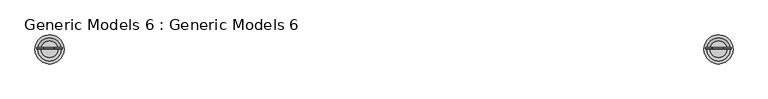
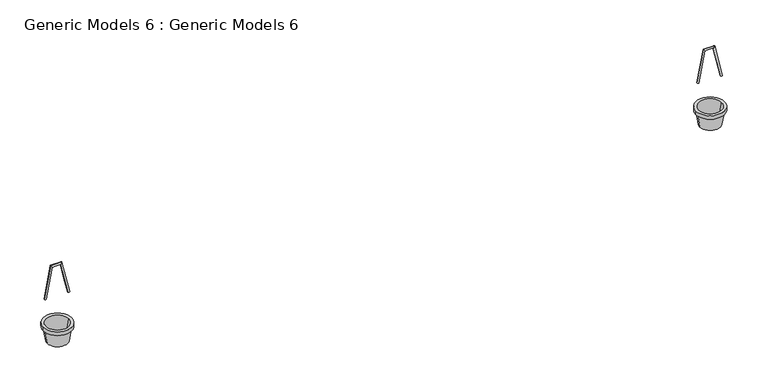
"""IFC4 building model written with IfcOpenShell, lengths in millimetres: proxy geometry, Generic Models 6 : Generic Models 6."""

import ifcopenshell
import ifcopenshell.guid

model = None  # the IFC model being written
_history = None  # IfcOwnerHistory: only IFC2X3 demands one
_inside = {}  # id of a spatial element -> (the spatial element, [elements in it])
_under = {}  # id of a project, library or spatial element -> (it, [spatial elements below it])
_declared = {}  # id of a project -> (the project, [libraries it declares])
_typed = {}  # id of a type object -> (the type object, [elements of that type])
_made_of = {}  # id of a material, layer set ... -> (it, [elements and type objects made of it])


def new_model(schema):
    """Start an empty IFC model of exactly this schema.

    Asked for "IFC4X3", IfcOpenShell would pick the latest addendum, in which some entities
    have other attributes; the version numbers below select the first issue.
    IFC2X3 requires an IfcOwnerHistory on every rooted entity: one is made here for all.
    """
    global model, _history
    if schema == "IFC4X3":
        model = ifcopenshell.file(schema_version=(4, 3, 0, 0))
    else:
        model = ifcopenshell.file(schema=schema)
    _inside.clear()
    _under.clear()
    _declared.clear()
    _typed.clear()
    _made_of.clear()
    _history = None
    if model.schema == "IFC2X3":
        org = make("IfcOrganization", Name="unknown")
        user = make(
            "IfcPersonAndOrganization",
            ThePerson=make("IfcPerson", FamilyName="unknown"),
            TheOrganization=org,
        )
        app = make(
            "IfcApplication",
            ApplicationDeveloper=org,
            Version="unknown",
            ApplicationFullName="unknown",
            ApplicationIdentifier="unknown",
        )
        _history = make(
            "IfcOwnerHistory",
            OwningUser=user,
            OwningApplication=app,
            ChangeAction="ADDED",
            CreationDate=0,
        )
    return model


def make(cls, **values):
    """One entity of the class cls with the attributes given. An attribute that is None is left unset."""
    return model.create_entity(
        cls, **{name: value for name, value in values.items() if value is not None}
    )


def rooted(cls, **values):
    """An entity with a GlobalId (a new one), such as an element, a storey or a relation."""
    return make(cls, GlobalId=ifcopenshell.guid.new(), OwnerHistory=_history, **values)


def si_unit(unit_type, name, prefix=None):
    """IfcSIUnit, for example si_unit("LENGTHUNIT", "METRE", prefix="MILLI")."""
    return make("IfcSIUnit", UnitType=unit_type, Prefix=prefix, Name=name)


def assignment(units):
    """IfcUnitAssignment: the units of a project."""
    return None if units is None else make("IfcUnitAssignment", Units=units)


def point(xyz):
    """IfcCartesianPoint."""
    return None if xyz is None else make("IfcCartesianPoint", Coordinates=xyz)


def direction(xyz):
    """IfcDirection."""
    return None if xyz is None else make("IfcDirection", DirectionRatios=xyz)


def frame(location, z_axis=None, x_axis=None):
    """IfcAxis2Placement3D, a coordinate frame: its origin and axes. An axis left out is left unset."""
    return make(
        "IfcAxis2Placement3D",
        Location=point(location),
        Axis=direction(z_axis),
        RefDirection=direction(x_axis),
    )


def frame_2d(location, x_axis=None):
    """IfcAxis2Placement2D, a coordinate frame in the plane: its origin and x axis."""
    return make(
        "IfcAxis2Placement2D", Location=point(location), RefDirection=direction(x_axis)
    )


def origin():
    """The frame at (0, 0, 0) with its axes left unset."""
    return frame((0.0, 0.0, 0.0))


def place(relative_to, where):
    """IfcLocalPlacement: puts the frame where relative to a parent placement (None: the world)."""
    return make(
        "IfcLocalPlacement", PlacementRelTo=relative_to, RelativePlacement=where
    )


def context(
    kind, dimensions, precision=None, world=None, true_north=None, identifier=None
):
    """IfcGeometricRepresentationContext, for example the 3D "Model" context."""
    return make(
        "IfcGeometricRepresentationContext",
        ContextIdentifier=identifier,
        ContextType=kind,
        CoordinateSpaceDimension=dimensions,
        Precision=precision,
        WorldCoordinateSystem=world,
        TrueNorth=true_north,
    )


def project(units=None, contexts=None):
    """IfcProject with its units and contexts."""
    return rooted(
        "IfcProject",
        Name="project",
        RepresentationContexts=contexts,
        UnitsInContext=assignment(units),
    )


def spatial(cls, under=None, at=None, **own):
    """A site, building, storey or space (cls), placed at a placement, below another one or the project."""
    s = rooted(cls, ObjectPlacement=at, **own)
    if under is not None:
        _under.setdefault(under.id(), (under, []))[1].append(s)
    return s


def polyline(points):
    """IfcPolyline through the points."""
    return make("IfcPolyline", Points=[point(p) for p in points])


def circle_curve(where, radius):
    """IfcCircle in the frame where."""
    return make("IfcCircle", Position=where, Radius=radius)


def ellipse_curve(where, semi_axis1, semi_axis2):
    """IfcEllipse in the frame where."""
    return make(
        "IfcEllipse", Position=where, SemiAxis1=semi_axis1, SemiAxis2=semi_axis2
    )


def trimmed(basis, trim1, trim2, sense, master):
    """IfcTrimmedCurve: the piece of a basis curve between two trims."""
    return make(
        "IfcTrimmedCurve",
        BasisCurve=basis,
        Trim1=trim1,
        Trim2=trim2,
        SenseAgreement=sense,
        MasterRepresentation=master,
    )


def segment(curve, same_sense, transition):
    """IfcCompositeCurveSegment."""
    return make(
        "IfcCompositeCurveSegment",
        Transition=transition,
        SameSense=same_sense,
        ParentCurve=curve,
    )


def composite_curve(segments, self_intersect=None):
    """IfcCompositeCurve: segments joined end to end."""
    return make("IfcCompositeCurve", Segments=segments, SelfIntersect=self_intersect)


def outline(outer, holes=None, kind="AREA"):
    """IfcArbitraryClosedProfileDef: a profile drawn as a closed curve; with holes, ...WithVoids."""
    if holes is None:
        return make("IfcArbitraryClosedProfileDef", ProfileType=kind, OuterCurve=outer)
    return make(
        "IfcArbitraryProfileDefWithVoids",
        ProfileType=kind,
        OuterCurve=outer,
        InnerCurves=holes,
    )


def extrude(swept, where, along, depth):
    """IfcExtrudedAreaSolid: the profile swept, set in the frame where, extruded along a direction by depth."""
    return make(
        "IfcExtrudedAreaSolid",
        SweptArea=swept,
        Position=where,
        ExtrudedDirection=direction(along),
        Depth=depth,
    )


def shape(context_of_items, identifier, shape_type, items):
    """IfcShapeRepresentation: the items that make up one representation, for example the "Body"."""
    return make(
        "IfcShapeRepresentation",
        ContextOfItems=context_of_items,
        RepresentationIdentifier=identifier,
        RepresentationType=shape_type,
        Items=items,
    )


def source(mapping_origin, context_of_items, identifier, shape_type, items):
    """IfcRepresentationMap: a shape defined once, which mapped items show again and again."""
    return make(
        "IfcRepresentationMap",
        MappingOrigin=mapping_origin,
        MappedRepresentation=shape(context_of_items, identifier, shape_type, items),
    )


def transform(
    local_origin,
    x_axis=None,
    y_axis=None,
    z_axis=None,
    scale=None,
    scale2=None,
    scale3=None,
    uniform=True,
):
    """IfcCartesianTransformationOperator3D, or its non-uniform kind. x_axis, y_axis, z_axis: its Axis1, 2, 3."""
    if uniform:
        return make(
            "IfcCartesianTransformationOperator3D",
            Axis1=direction(x_axis),
            Axis2=direction(y_axis),
            LocalOrigin=point(local_origin),
            Scale=scale,
            Axis3=direction(z_axis),
        )
    return make(
        "IfcCartesianTransformationOperator3DnonUniform",
        Axis1=direction(x_axis),
        Axis2=direction(y_axis),
        LocalOrigin=point(local_origin),
        Scale=scale,
        Axis3=direction(z_axis),
        Scale2=scale2,
        Scale3=scale3,
    )


def mapped(mapping_source, mapping_target):
    """IfcMappedItem: shows the shape of a source again, moved by a transform."""
    return make(
        "IfcMappedItem", MappingSource=mapping_source, MappingTarget=mapping_target
    )


def made_of(thing, what):
    """Note that an element or type object is made of a material, layer set ...; save() writes the relation."""
    if what is not None:
        _made_of.setdefault(what.id(), (what, []))[1].append(thing)
    return thing


def element(
    cls,
    number,
    at=None,
    inside=None,
    cuts=None,
    type_object=None,
    material=None,
    context=None,
    identifier="Body",
    shape_type=None,
    held_by="IfcProductDefinitionShape",
    body=None,
    shapes=None,
    **own,
):
    """One element of the class cls, such as IfcWall. Its Tag is "e" and its number.

    at: its placement. inside: the storey or other place that contains it. cuts: it is an
    opening in that element (IfcRelVoidsElement). A single representation is given by context,
    identifier, shape_type and body (its items); several are given by shapes. held_by: the class
    of the entity that holds the representations. save() writes the other relations.
    """
    e = rooted(cls, Tag="e%d" % number, ObjectPlacement=at, **own)
    if body is not None:
        shapes = [shape(context, identifier, shape_type, body)]
    if shapes is not None:
        e.Representation = make(held_by, Representations=shapes)
    if inside is not None:
        _inside.setdefault(inside.id(), (inside, []))[1].append(e)
    if cuts is not None:
        rooted(
            "IfcRelVoidsElement", RelatingBuildingElement=cuts, RelatedOpeningElement=e
        )
    if type_object is not None:
        _typed.setdefault(type_object.id(), (type_object, []))[1].append(e)
    return made_of(e, material)


def aggregate(whole, parts):
    """IfcRelAggregates: a whole, such as a stair, and the parts it consists of."""
    return rooted("IfcRelAggregates", RelatingObject=whole, RelatedObjects=parts)


def save(model, path):
    """Write the relations noted so far, then the file.

    IfcRelAggregates (storeys below a building ...), IfcRelContainedInSpatialStructure (elements
    in a storey), IfcRelDefinesByType, IfcRelAssociatesMaterial and IfcRelDeclares: one each for
    every whole, place, type object, material and project.
    """
    for whole, parts in _under.values():
        aggregate(whole, parts)
    for where, things in _inside.values():
        rooted(
            "IfcRelContainedInSpatialStructure",
            RelatedElements=things,
            RelatingStructure=where,
        )
    for kind, things in _typed.values():
        rooted("IfcRelDefinesByType", RelatedObjects=things, RelatingType=kind)
    for what, things in _made_of.values():
        rooted("IfcRelAssociatesMaterial", RelatedObjects=things, RelatingMaterial=what)
    for by, libraries in _declared.values():
        rooted("IfcRelDeclares", RelatingContext=by, RelatedDefinitions=libraries)
    model.write(path)


def plane_surface(at):
    """IfcPlane: the flat surface through the origin of the frame at, square to its z axis."""
    return make("IfcPlane", Position=at)


def cylinder_surface(at, radius):
    """IfcCylindricalSurface: all points at the distance radius from the z axis of the frame at."""
    return make("IfcCylindricalSurface", Position=at, Radius=radius)


def revolved_surface(curve, axis_point, axis_direction):
    """IfcSurfaceOfRevolution: the curve turned about the line through axis_point along axis_direction."""
    return make(
        "IfcSurfaceOfRevolution",
        SweptCurve=make("IfcArbitraryOpenProfileDef", ProfileType="CURVE", Curve=curve),
        AxisPosition=make("IfcAxis1Placement", Location=point(axis_point), Axis=direction(axis_direction)),
    )


def advanced_brep(points, edges, surfaces, faces):
    """IfcAdvancedBrep: a solid bounded by faces that lie on surfaces and meet in shared edges.

    An edge is (start, end): straight between two places in points (the first is 0);
    or (start, end, curve); or (start, end, curve, False) where it runs against its curve.
    A face is (place in surfaces, loops), or (place, loops, False) where it looks against
    its surface's normal. A loop lists edges by number (the first is 1), with a minus sign
    where the edge is run from its end to its start. The first loop is the outer one.
    """
    corners = [point(p) for p in points]
    vertices = [make("IfcVertexPoint", VertexGeometry=c) for c in corners]
    made = []
    for start, end, *more in edges:
        made.append(
            make(
                "IfcEdgeCurve",
                EdgeStart=vertices[start],
                EdgeEnd=vertices[end],
                EdgeGeometry=more[0] if more else make("IfcPolyline", Points=[corners[start], corners[end]]),
                SameSense=more[1] if len(more) > 1 else True,
            )
        )
    hull = []
    for where, loops, *sense in faces:
        bounds = []
        for j, loop in enumerate(loops):
            ring = [make("IfcOrientedEdge", EdgeElement=made[abs(k) - 1], Orientation=k > 0) for k in loop]
            bounds.append(
                make(
                    "IfcFaceOuterBound" if j == 0 else "IfcFaceBound",
                    Bound=make("IfcEdgeLoop", EdgeList=ring),
                    Orientation=True,
                )
            )
        hull.append(make("IfcAdvancedFace", Bounds=bounds, FaceSurface=surfaces[where], SameSense=sense[0] if sense else True))
    return make("IfcAdvancedBrep", Outer=make("IfcClosedShell", CfsFaces=hull))


def generic_models_6_generic_models_6_81c88e58(model_context):
    return source(origin(), model_context, "Body", "SolidModel", [
        advanced_brep(
        [(-34686.6689595, 52581.7621172, 110415.6736018), (-34678.8687852, 52581.7621172, 110417.4504755), (-34719.5802161, 52581.7621172, 110560.1484398), (-34713.1976651, 52581.7621172, 110568.1484398), (-34756.6813701, 52581.7621172, 110560.1484398), (-34763.2953473, 52581.7621172, 110568.1484398), (-34783.9381535, 52581.7621172, 110417.7456528), (-34791.7955156, 52581.7621172, 110419.2496011)],
        [
            (0, 1, circle_curve(frame((-34682.7688724, 52581.7621172, 110416.5620386), z_axis=(0.2221092116802275, 0.0, -0.9750217936470896), x_axis=(0.9750217936470896, 0.0, 0.2221092116802275)), 4.0)),
            (1, 0, circle_curve(frame((-34682.7688724, 52581.7621172, 110416.5620386), z_axis=(0.2221092116802275, 0.0, -0.9750217936470896), x_axis=(0.9750217936470896, 0.0, 0.2221092116802275)), 4.0)),
            (0, 2),
            (2, 3, ellipse_curve(frame((-34716.3889406, 52581.7621172, 110564.1484398), z_axis=(0.7816998182423441, 0.0, -0.6236548678234513), x_axis=(-0.6236548678234515, 0.0, -0.7816998182423436)), 5.1170538, 4.0)),
            (3, 1),
            (3, 2, ellipse_curve(frame((-34716.3889406, 52581.7621172, 110564.1484398), z_axis=(0.7816998182423441, 0.0, -0.6236548678234513), x_axis=(-0.6236548678234515, 0.0, -0.7816998182423436)), 5.1170538, 4.0)),
            (2, 4),
            (4, 5, ellipse_curve(frame((-34759.9883587, 52581.7621172, 110564.1484398), z_axis=(0.7707118552625644, 0.0, 0.6371838323103748), x_axis=(0.637183832310375, 0.0, -0.7707118552625641)), 5.1900071, 4.0)),
            (5, 3),
            (5, 4, ellipse_curve(frame((-34759.9883587, 52581.7621172, 110564.1484398), z_axis=(0.7707118552625644, 0.0, 0.6371838323103748), x_axis=(0.637183832310375, 0.0, -0.7707118552625641)), 5.1900071, 4.0)),
            (6, 7, circle_curve(frame((-34787.8668346, 52581.7621172, 110418.4976269), z_axis=(-0.18799352768452804, 0.0, -0.9821702670864796), x_axis=(-0.9821702670864796, 0.0, 0.18799352768452804)), 4.0)),
            (7, 6, circle_curve(frame((-34787.8668346, 52581.7621172, 110418.4976269), z_axis=(-0.18799352768452804, 0.0, -0.9821702670864796), x_axis=(-0.9821702670864796, 0.0, 0.18799352768452804)), 4.0)),
            (4, 6),
            (7, 5),
        ],
        [
            plane_surface(frame((-34677.6572022, 52140.6256988, 110417.7264732), z_axis=(0.2221092116802275, 0.0, -0.9750217936470896), x_axis=(0.0, 1.0, 0.0))),
            cylinder_surface(frame((-34682.7688724, 52581.7621172, 110416.5620386), z_axis=(0.2221092116802275, 0.0, -0.9750217936470896), x_axis=(0.9750217936470896, 0.0, 0.2221092116802275)), 4.0),
            cylinder_surface(frame((-34712.2062782, 52581.7621172, 110564.1484398), z_axis=(1.0, 0.0, 0.0), x_axis=(0.0, 0.0, 1.0)), 4.0),
            plane_surface(frame((-34793.0159815, 52140.6256988, 110419.4832059), z_axis=(-0.18799352768452796, 0.0, -0.9821702670864796), x_axis=(0.0, 1.0, 0.0))),
            cylinder_surface(frame((-34759.1735341, 52581.7621172, 110568.4054824), z_axis=(0.18799352768452804, 0.0, 0.9821702670864796), x_axis=(-0.9821702670864796, 0.0, 0.18799352768452804)), 4.0),
        ],
        [
            (0, [[1, 2]]),
            (1, [[-1, 3, 4, 5]]),
            (1, [[-2, -5, 6, -3]]),
            (2, [[-4, 7, 8, 9]]),
            (2, [[-6, -9, 10, -7]]),
            (3, [[11, 12]]),
            (4, [[-8, 13, -12, 14]]),
            (4, [[-10, -14, -11, -13]]),
        ],
    ),
        extrude(outline(composite_curve([segment(trimmed(circle_curve(frame_2d((-34734.9849133, 52577.544086)), 36.5259416), [point((-34698.4589717, 52577.544086))], [point((-34771.5108549, 52577.544086))], False, "CARTESIAN"), True, "CONTINUOUS"), segment(trimmed(circle_curve(frame_2d((-34734.9849133, 52577.544086)), 36.5259416), [point((-34771.5108549, 52577.544086))], [point((-34698.4589717, 52577.544086))], False, "CARTESIAN"), True, "CONTINUOUS")], self_intersect=False)), frame((0.0, 0.0, 110208.423046), z_axis=(0.0, 0.0, 1.0), x_axis=(1.0, 0.0, 0.0)), (0.0, 0.0, 1.0), 5.5063266),
        advanced_brep(
        [(-34698.4589717, 52577.544086, 110208.423046), (-34771.5108549, 52577.544086, 110208.423046), (-34785.6231676, 52577.544086, 110290.9257974), (-34684.3466589, 52577.544086, 110290.9257974), (-34678.5651461, 52577.544086, 110274.1859826), (-34791.4046805, 52577.544086, 110274.1859826), (-34780.8084399, 52577.544086, 110208.423046), (-34689.1613866, 52577.544086, 110208.423046), (-34670.9126593, 52577.544086, 110290.9257974), (-34799.0571672, 52577.544086, 110290.9257974), (-34799.0571672, 52577.544086, 110274.1859826), (-34670.9126593, 52577.544086, 110274.1859826)],
        [
            (0, 1, circle_curve(frame((-34734.9849133, 52577.544086, 110208.423046), z_axis=(0.0, 0.0, -1.0), x_axis=(-1.0, 0.0, 0.0)), 36.5259416)),
            (1, 2),
            (2, 3, circle_curve(frame((-34734.9849133, 52577.544086, 110290.9257974), z_axis=(0.0, 0.0, 1.0), x_axis=(-1.0, 0.0, 0.0)), 50.6382543)),
            (3, 0),
            (4, 5, circle_curve(frame((-34734.9849133, 52577.544086, 110274.1859826), z_axis=(0.0, 0.0, -1.0), x_axis=(-1.0, 0.0, 0.0)), 56.4197672)),
            (5, 6),
            (6, 7, circle_curve(frame((-34734.9849133, 52577.544086, 110208.423046), z_axis=(0.0, 0.0, 1.0), x_axis=(-1.0, 0.0, 0.0)), 45.8235266)),
            (7, 4),
            (8, 9, circle_curve(frame((-34734.9849133, 52577.544086, 110290.9257974), z_axis=(0.0, 0.0, -1.0), x_axis=(-1.0, 0.0, 0.0)), 64.0722539)),
            (9, 10),
            (10, 11, circle_curve(frame((-34734.9849133, 52577.544086, 110274.1859826), z_axis=(0.0, 0.0, 1.0), x_axis=(-1.0, 0.0, 0.0)), 64.0722539)),
            (11, 8),
            (1, 0, circle_curve(frame((-34734.9849133, 52577.544086, 110208.423046), z_axis=(0.0, 0.0, -1.0), x_axis=(1.0, 0.0, 0.0)), 36.5259416)),
            (3, 2, circle_curve(frame((-34734.9849133, 52577.544086, 110290.9257974), z_axis=(0.0, 0.0, 1.0), x_axis=(1.0, 0.0, 0.0)), 50.6382543)),
            (6, 7, circle_curve(frame((-34734.9849133, 52577.544086, 110208.423046), z_axis=(0.0, 0.0, -1.0), x_axis=(1.0, 0.0, 0.0)), 45.8235266)),
            (5, 4, circle_curve(frame((-34734.9849133, 52577.544086, 110274.1859826), z_axis=(0.0, 0.0, -1.0), x_axis=(1.0, 0.0, 0.0)), 56.4197672)),
            (10, 11, circle_curve(frame((-34734.9849133, 52577.544086, 110274.1859826), z_axis=(0.0, 0.0, -1.0), x_axis=(1.0, 0.0, 0.0)), 64.0722539)),
            (9, 8, circle_curve(frame((-34734.9849133, 52577.544086, 110290.9257974), z_axis=(0.0, 0.0, -1.0), x_axis=(1.0, 0.0, 0.0)), 64.0722539)),
        ],
        [
            revolved_surface(polyline([(-34785.6231676, 52577.544086, 110290.9257974), (-34771.5108549, 52577.544086, 110208.423046)]), (-34734.9849133, 52577.544086, 110712.5), (0.0, 0.0, 1.0)),
            revolved_surface(polyline([(-34780.8084399, 52577.544086, 110208.423046), (-34791.4046805, 52577.544086, 110274.1859826)]), (-34734.9849133, 52577.544086, 110712.5), (0.0, 0.0, 1.0)),
            cylinder_surface(frame((-34734.9849133, 52577.544086, 110712.5), z_axis=(0.0, 0.0, 1.0), x_axis=(-1.0, 0.0, 0.0)), 64.0722539),
            revolved_surface(polyline([(-34684.3466589, 52577.544086, 110290.9257974), (-34698.4589717, 52577.544086, 110208.423046)]), (-34734.9849133, 52577.544086, 110712.5), (0.0, 0.0, 1.0)),
            plane_surface(frame((-34734.9849133, 52577.544086, 110208.423046), z_axis=(0.0, 0.0, -1.0), x_axis=(1.0, 0.0, 0.0))),
            revolved_surface(polyline([(-34689.1613866, 52577.544086, 110208.423046), (-34678.5651461, 52577.544086, 110274.1859826)]), (-34734.9849133, 52577.544086, 110712.5), (0.0, 0.0, 1.0)),
            plane_surface(frame((-34734.9849133, 52577.544086, 110274.1859826), z_axis=(0.0, 0.0, -1.0), x_axis=(1.0, 0.0, 0.0))),
            cylinder_surface(frame((-34734.9849133, 52577.544086, 110712.5), z_axis=(0.0, 0.0, 1.0), x_axis=(1.0, 0.0, 0.0)), 64.0722539),
            plane_surface(frame((-34734.9849133, 52577.544086, 110290.9257974), z_axis=(0.0, 0.0, 1.0), x_axis=(1.0, 0.0, 0.0))),
        ],
        [
            (0, [[1, 2, 3, 4]]),
            (1, [[5, 6, 7, 8]]),
            (2, [[9, 10, 11, 12]]),
            (3, [[13, -4, 14, -2]]),
            (4, [[15, -7], [-13, -1]]),
            (5, [[16, -8, -15, -6]]),
            (6, [[17, -11], [-16, -5]]),
            (7, [[18, -12, -17, -10]]),
            (8, [[-18, -9], [-14, -3]]),
        ],
    ),
        advanced_brep(
        [(-37616.6689595, 52581.7621172, 110415.6736018), (-37608.8687852, 52581.7621172, 110417.4504755), (-37649.5802161, 52581.7621172, 110560.1484398), (-37643.1976651, 52581.7621172, 110568.1484398), (-37686.6813701, 52581.7621172, 110560.1484398), (-37693.2953473, 52581.7621172, 110568.1484398), (-37713.9381535, 52581.7621172, 110417.7456528), (-37721.7955156, 52581.7621172, 110419.2496011)],
        [
            (0, 1, circle_curve(frame((-37612.7688724, 52581.7621172, 110416.5620386), z_axis=(0.2221092116802275, 0.0, -0.9750217936470896), x_axis=(0.9750217936470896, 0.0, 0.2221092116802275)), 4.0)),
            (1, 0, circle_curve(frame((-37612.7688724, 52581.7621172, 110416.5620386), z_axis=(0.2221092116802275, 0.0, -0.9750217936470896), x_axis=(0.9750217936470896, 0.0, 0.2221092116802275)), 4.0)),
            (0, 2),
            (2, 3, ellipse_curve(frame((-37646.3889406, 52581.7621172, 110564.1484398), z_axis=(0.7816998182423441, 0.0, -0.6236548678234513), x_axis=(-0.6236548678234515, 0.0, -0.7816998182423436)), 5.1170538, 4.0)),
            (3, 1),
            (3, 2, ellipse_curve(frame((-37646.3889406, 52581.7621172, 110564.1484398), z_axis=(0.7816998182423441, 0.0, -0.6236548678234513), x_axis=(-0.6236548678234515, 0.0, -0.7816998182423436)), 5.1170538, 4.0)),
            (2, 4),
            (4, 5, ellipse_curve(frame((-37689.9883587, 52581.7621172, 110564.1484398), z_axis=(0.7707118552625644, 0.0, 0.6371838323103748), x_axis=(0.637183832310375, 0.0, -0.7707118552625641)), 5.1900071, 4.0)),
            (5, 3),
            (5, 4, ellipse_curve(frame((-37689.9883587, 52581.7621172, 110564.1484398), z_axis=(0.7707118552625644, 0.0, 0.6371838323103748), x_axis=(0.637183832310375, 0.0, -0.7707118552625641)), 5.1900071, 4.0)),
            (6, 7, circle_curve(frame((-37717.8668346, 52581.7621172, 110418.4976269), z_axis=(-0.18799352768452804, 0.0, -0.9821702670864796), x_axis=(-0.9821702670864796, 0.0, 0.18799352768452804)), 4.0)),
            (7, 6, circle_curve(frame((-37717.8668346, 52581.7621172, 110418.4976269), z_axis=(-0.18799352768452804, 0.0, -0.9821702670864796), x_axis=(-0.9821702670864796, 0.0, 0.18799352768452804)), 4.0)),
            (4, 6),
            (7, 5),
        ],
        [
            plane_surface(frame((-37607.6572022, 52140.6256988, 110417.7264732), z_axis=(0.2221092116802275, 0.0, -0.9750217936470896), x_axis=(0.0, 1.0, 0.0))),
            cylinder_surface(frame((-37612.7688724, 52581.7621172, 110416.5620386), z_axis=(0.2221092116802275, 0.0, -0.9750217936470896), x_axis=(0.9750217936470896, 0.0, 0.2221092116802275)), 4.0),
            cylinder_surface(frame((-37642.2062782, 52581.7621172, 110564.1484398), z_axis=(1.0, 0.0, 0.0), x_axis=(0.0, 0.0, 1.0)), 4.0),
            plane_surface(frame((-37723.0159815, 52140.6256988, 110419.4832059), z_axis=(-0.18799352768452796, 0.0, -0.9821702670864796), x_axis=(0.0, 1.0, 0.0))),
            cylinder_surface(frame((-37689.1735341, 52581.7621172, 110568.4054824), z_axis=(0.18799352768452804, 0.0, 0.9821702670864796), x_axis=(-0.9821702670864796, 0.0, 0.18799352768452804)), 4.0),
        ],
        [
            (0, [[1, 2]]),
            (1, [[-1, 3, 4, 5]]),
            (1, [[-2, -5, 6, -3]]),
            (2, [[-4, 7, 8, 9]]),
            (2, [[-6, -9, 10, -7]]),
            (3, [[11, 12]]),
            (4, [[-8, 13, -12, 14]]),
            (4, [[-10, -14, -11, -13]]),
        ],
    ),
        extrude(outline(composite_curve([segment(trimmed(circle_curve(frame_2d((-37664.9849133, 52577.544086)), 36.5259416), [point((-37628.4589717, 52577.544086))], [point((-37701.5108549, 52577.544086))], False, "CARTESIAN"), True, "CONTINUOUS"), segment(trimmed(circle_curve(frame_2d((-37664.9849133, 52577.544086)), 36.5259416), [point((-37701.5108549, 52577.544086))], [point((-37628.4589717, 52577.544086))], False, "CARTESIAN"), True, "CONTINUOUS")], self_intersect=False)), frame((0.0, 0.0, 110208.423046), z_axis=(0.0, 0.0, 1.0), x_axis=(1.0, 0.0, 0.0)), (0.0, 0.0, 1.0), 5.5063266),
        advanced_brep(
        [(-37628.4589717, 52577.544086, 110208.423046), (-37701.5108549, 52577.544086, 110208.423046), (-37715.6231676, 52577.544086, 110290.9257974), (-37614.3466589, 52577.544086, 110290.9257974), (-37608.5651461, 52577.544086, 110274.1859826), (-37721.4046805, 52577.544086, 110274.1859826), (-37710.8084399, 52577.544086, 110208.423046), (-37619.1613866, 52577.544086, 110208.423046), (-37600.9126593, 52577.544086, 110290.9257974), (-37729.0571672, 52577.544086, 110290.9257974), (-37729.0571672, 52577.544086, 110274.1859826), (-37600.9126593, 52577.544086, 110274.1859826)],
        [
            (0, 1, circle_curve(frame((-37664.9849133, 52577.544086, 110208.423046), z_axis=(0.0, 0.0, -1.0), x_axis=(-1.0, 0.0, 0.0)), 36.5259416)),
            (1, 2),
            (2, 3, circle_curve(frame((-37664.9849133, 52577.544086, 110290.9257974), z_axis=(0.0, 0.0, 1.0), x_axis=(-1.0, 0.0, 0.0)), 50.6382543)),
            (3, 0),
            (4, 5, circle_curve(frame((-37664.9849133, 52577.544086, 110274.1859826), z_axis=(0.0, 0.0, -1.0), x_axis=(-1.0, 0.0, 0.0)), 56.4197672)),
            (5, 6),
            (6, 7, circle_curve(frame((-37664.9849133, 52577.544086, 110208.423046), z_axis=(0.0, 0.0, 1.0), x_axis=(-1.0, 0.0, 0.0)), 45.8235266)),
            (7, 4),
            (8, 9, circle_curve(frame((-37664.9849133, 52577.544086, 110290.9257974), z_axis=(0.0, 0.0, -1.0), x_axis=(-1.0, 0.0, 0.0)), 64.0722539)),
            (9, 10),
            (10, 11, circle_curve(frame((-37664.9849133, 52577.544086, 110274.1859826), z_axis=(0.0, 0.0, 1.0), x_axis=(-1.0, 0.0, 0.0)), 64.0722539)),
            (11, 8),
            (1, 0, circle_curve(frame((-37664.9849133, 52577.544086, 110208.423046), z_axis=(0.0, 0.0, -1.0), x_axis=(1.0, 0.0, 0.0)), 36.5259416)),
            (3, 2, circle_curve(frame((-37664.9849133, 52577.544086, 110290.9257974), z_axis=(0.0, 0.0, 1.0), x_axis=(1.0, 0.0, 0.0)), 50.6382543)),
            (6, 7, circle_curve(frame((-37664.9849133, 52577.544086, 110208.423046), z_axis=(0.0, 0.0, -1.0), x_axis=(1.0, 0.0, 0.0)), 45.8235266)),
            (5, 4, circle_curve(frame((-37664.9849133, 52577.544086, 110274.1859826), z_axis=(0.0, 0.0, -1.0), x_axis=(1.0, 0.0, 0.0)), 56.4197672)),
            (10, 11, circle_curve(frame((-37664.9849133, 52577.544086, 110274.1859826), z_axis=(0.0, 0.0, -1.0), x_axis=(1.0, 0.0, 0.0)), 64.0722539)),
            (9, 8, circle_curve(frame((-37664.9849133, 52577.544086, 110290.9257974), z_axis=(0.0, 0.0, -1.0), x_axis=(1.0, 0.0, 0.0)), 64.0722539)),
        ],
        [
            revolved_surface(polyline([(-37715.6231676, 52577.544086, 110290.9257974), (-37701.5108549, 52577.544086, 110208.423046)]), (-37664.9849133, 52577.544086, 110712.5), (0.0, 0.0, 1.0)),
            revolved_surface(polyline([(-37710.8084399, 52577.544086, 110208.423046), (-37721.4046805, 52577.544086, 110274.1859826)]), (-37664.9849133, 52577.544086, 110712.5), (0.0, 0.0, 1.0)),
            cylinder_surface(frame((-37664.9849133, 52577.544086, 110712.5), z_axis=(0.0, 0.0, 1.0), x_axis=(-1.0, 0.0, 0.0)), 64.0722539),
            revolved_surface(polyline([(-37614.3466589, 52577.544086, 110290.9257974), (-37628.4589717, 52577.544086, 110208.423046)]), (-37664.9849133, 52577.544086, 110712.5), (0.0, 0.0, 1.0)),
            plane_surface(frame((-37664.9849133, 52577.544086, 110208.423046), z_axis=(0.0, 0.0, -1.0), x_axis=(1.0, 0.0, 0.0))),
            revolved_surface(polyline([(-37619.1613866, 52577.544086, 110208.423046), (-37608.5651461, 52577.544086, 110274.1859826)]), (-37664.9849133, 52577.544086, 110712.5), (0.0, 0.0, 1.0)),
            plane_surface(frame((-37664.9849133, 52577.544086, 110274.1859826), z_axis=(0.0, 0.0, -1.0), x_axis=(1.0, 0.0, 0.0))),
            cylinder_surface(frame((-37664.9849133, 52577.544086, 110712.5), z_axis=(0.0, 0.0, 1.0), x_axis=(1.0, 0.0, 0.0)), 64.0722539),
            plane_surface(frame((-37664.9849133, 52577.544086, 110290.9257974), z_axis=(0.0, 0.0, 1.0), x_axis=(1.0, 0.0, 0.0))),
        ],
        [
            (0, [[1, 2, 3, 4]]),
            (1, [[5, 6, 7, 8]]),
            (2, [[9, 10, 11, 12]]),
            (3, [[13, -4, 14, -2]]),
            (4, [[15, -7], [-13, -1]]),
            (5, [[16, -8, -15, -6]]),
            (6, [[17, -11], [-16, -5]]),
            (7, [[18, -12, -17, -10]]),
            (8, [[-18, -9], [-14, -3]]),
        ],
    ),
    ])


if __name__ == "__main__":
    model = new_model("IFC4")
    model_context = context("Model", 3, world=origin())
    ifc_project = project(units=[si_unit("LENGTHUNIT", "METRE", prefix="MILLI")], contexts=[model_context])
    site = spatial("IfcSite", under=ifc_project)
    building = spatial("IfcBuilding", under=site)
    placement = place(None, origin())
    generic_models_6_generic_models_6_shape = generic_models_6_generic_models_6_81c88e58(model_context)
    element("IfcBuildingElementProxy", 1, Name="Generic Models 6 : Generic Models 6", ObjectType="Generic Models 6 : Generic Models 6", at=placement, inside=building, context=model_context, shape_type="MappedRepresentation", body=[
        mapped(generic_models_6_generic_models_6_shape, transform((0.0, 0.0, 0.0), x_axis=(1.0, 0.0, 0.0), y_axis=(0.0, 1.0, 0.0), z_axis=(0.0, 0.0, 1.0))),
    ])
    save(model, "model.ifc")
